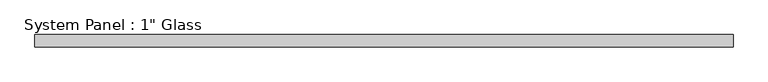
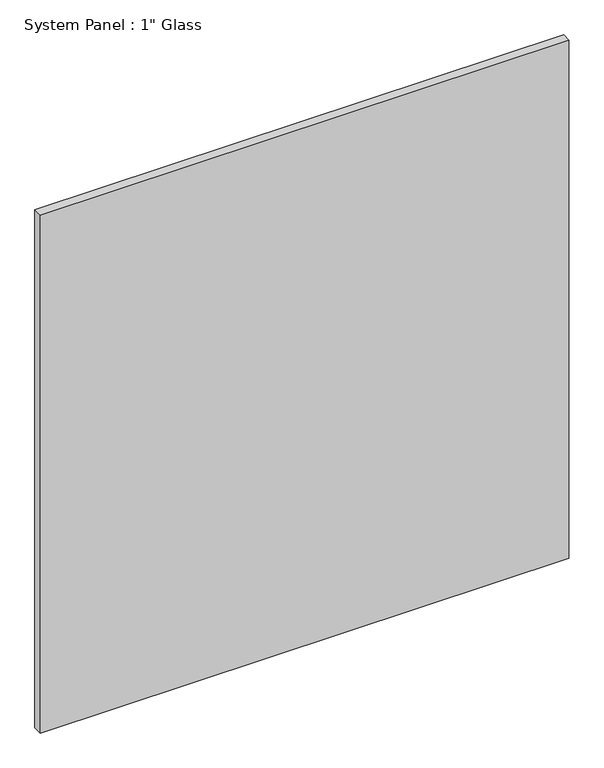
"""IFC4 building model written with IfcOpenShell, lengths in millimetres: plate geometry."""

from ifc_helpers import new_model, si_unit, origin, origin_with_axes, place, context, project, spatial, polyline, outline, extrude, source, transform, mapped, element, save


def plate_c6bc7da3(model_context):
    return source(origin(), model_context, "Body", "SweptSolid", [
        extrude(outline(polyline([(717.5508852, -12.7), (-717.5508852, -12.7), (-717.5508852, 12.7), (717.5508852, 12.7), (717.5508852, -12.7)])), origin_with_axes(), (0.0, 0.0, 1.0), 1485.9017704),
    ])


if __name__ == "__main__":
    model = new_model("IFC4")
    model_context = context("Model", 3, world=origin())
    ifc_project = project(units=[si_unit("LENGTHUNIT", "METRE", prefix="MILLI")], contexts=[model_context])
    site = spatial("IfcSite", under=ifc_project)
    building = spatial("IfcBuilding", under=site)
    placement = place(None, origin())
    plate_shape = plate_c6bc7da3(model_context)
    element("IfcPlate", 1, ObjectType="System Panel : 1\" Glass", at=placement, inside=building, context=model_context, shape_type="MappedRepresentation", body=[
        mapped(plate_shape, transform((0.0, 0.0, 0.0), x_axis=(1.0, 0.0, 0.0), y_axis=(0.0, 1.0, 0.0), z_axis=(0.0, 0.0, 1.0))),
    ])
    save(model, "model.ifc")
